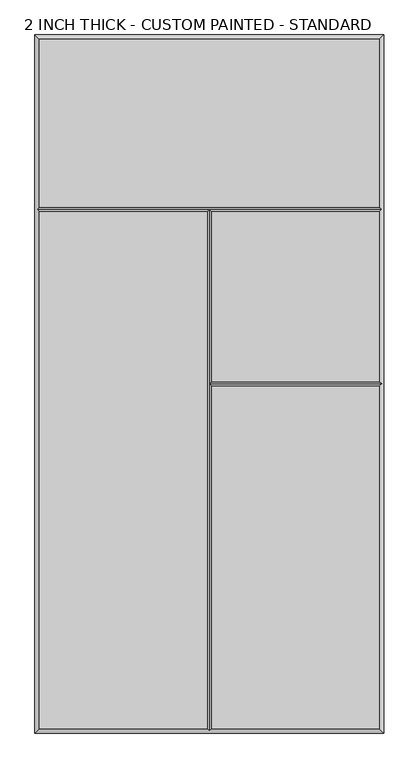
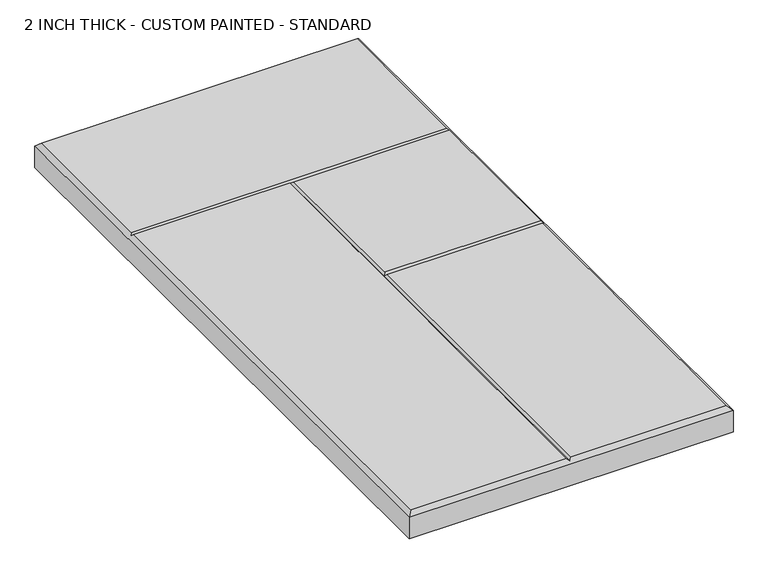
"""IFC4 building model written with IfcOpenShell, lengths in millimetres: proxy geometry, 2 INCH THICK - CUSTOM PAINTED - STANDARD."""

from ifc_helpers import new_model, si_unit, origin, place, context, project, spatial, faceted_brep, source, transform, mapped, element, save


def proxy_2_inch_thick_custom_painted_standard_b94780e3(model_context):
    return source(origin(), model_context, "Body", "Brep", [
        faceted_brep([(296.799, 601.599, 50.8), (-296.799, 601.599, 50.8), (-296.799, 308.8005, 50.8), (296.799, 308.8005, 50.8), (-296.799, 300.7995, 50.8), (-296.799, -601.599, 50.8), (-4.0005, -601.599, 50.8), (-4.0005, 300.7995, 50.8), (4.0005, -601.599, 50.8), (296.799, -601.599, 50.8), (296.799, -4.0005, 50.8), (4.0005, -4.0005, 50.8), (296.799, 300.7995, 50.8), (4.0005, 300.7995, 50.8), (4.0005, 4.0005, 50.8), (296.799, 4.0005, 50.8), (-304.8, 609.6, 0.0), (304.8, 609.6, 0.0), (304.8, -609.6, 0.0), (-304.8, -609.6, 0.0), (-304.8, -609.6, 42.799), (-304.8, 609.6, 42.799), (304.8, -609.6, 42.799), (304.8, 609.6, 42.799), (-300.7995, 304.8, 46.7995), (0.0, -605.5995, 46.7995), (300.7995, 304.8, 46.7995), (300.7995, 0.0, 46.7995), (0.0, 304.8, 46.7995), (0.0, 0.0, 46.7995)], [[[0, 1, 2, 3]], [[4, 5, 6, 7]], [[8, 9, 10, 11]], [[12, 13, 14, 15]], [[16, 17, 18, 19]], [[16, 19, 20, 21]], [[19, 18, 22, 20]], [[18, 17, 23, 22]], [[17, 16, 21, 23]], [[21, 1, 0, 23]], [[1, 21, 20, 5, 4, 24, 2]], [[5, 20, 22, 9, 8, 25, 6]], [[23, 0, 3, 26, 12, 15, 27, 10, 9, 22]], [[24, 4, 7, 28]], [[12, 26, 28, 13]], [[3, 2, 24, 28, 26]], [[25, 8, 11, 29]], [[13, 28, 29, 14]], [[7, 6, 25, 29, 28]], [[27, 29, 11, 10]], [[29, 27, 15, 14]]]),
    ])


if __name__ == "__main__":
    model = new_model("IFC4")
    model_context = context("Model", 3, world=origin())
    ifc_project = project(units=[si_unit("LENGTHUNIT", "METRE", prefix="MILLI")], contexts=[model_context])
    site = spatial("IfcSite", under=ifc_project)
    building = spatial("IfcBuilding", under=site)
    placement = place(None, origin())
    proxy_2_inch_thick_custom_painted_standard_shape = proxy_2_inch_thick_custom_painted_standard_b94780e3(model_context)
    element("IfcBuildingElementProxy", 1, Name="2 INCH THICK - CUSTOM PAINTED - STANDARD", ObjectType="2 INCH THICK - CUSTOM PAINTED - STANDARD", at=placement, inside=building, context=model_context, shape_type="MappedRepresentation", body=[
        mapped(proxy_2_inch_thick_custom_painted_standard_shape, transform((0.0, 0.0, 0.0), x_axis=(1.0, 0.0, 0.0), y_axis=(0.0, 1.0, 0.0), z_axis=(0.0, 0.0, 1.0))),
    ])
    save(model, "model.ifc")
